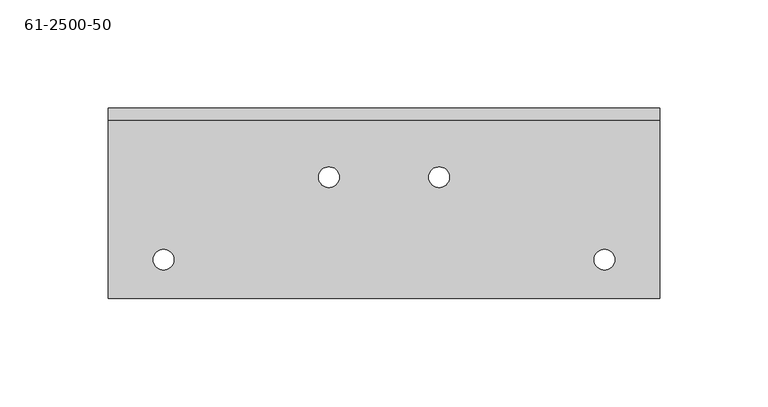
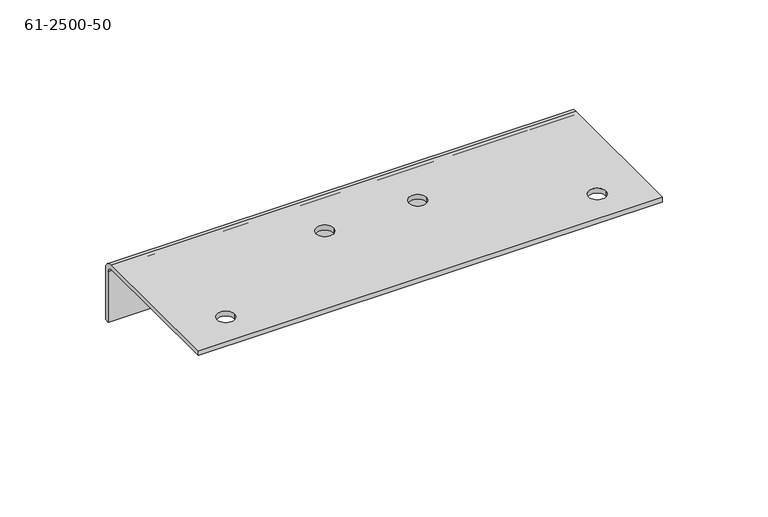
"""IFC4 building model written with IfcOpenShell, lengths in millimetres: proxy geometry, 61-2500-50."""

from ifc_helpers import new_model, si_unit, frame, origin, place, context, project, spatial, polyline, circle_curve, source, transform, mapped, element, save
from ifc_brep_helpers import plane_surface, cylinder_surface, revolved_surface, advanced_brep


def proxy_61_2500_50_b9742503(model_context):
    return source(origin(), model_context, "Body", "AdvancedBrep", [
        advanced_brep(
        [(76.2423118, 59.58078, 0.0), (76.2423118, 59.58078, 2.75336), (66.7173118, 59.58078, 2.75336), (66.7173118, 59.58078, 0.0), (127.0423118, 59.58078, 0.0), (127.0423118, 59.58078, 2.75336), (117.5173118, 59.58078, 2.75336), (117.5173118, 59.58078, 0.0), (203.2423118, 21.48078, 0.0), (203.2423118, 21.48078, 2.75336), (193.7173118, 21.48078, 2.75336), (193.7173118, 21.48078, 0.0), (0.0423118, 21.48078, 0.0), (0.0423118, 21.48078, 2.75336), (-9.4826882, 21.48078, 2.75336), (-9.4826882, 21.48078, 0.0), (163.9993118, 88.57742, -16.29664), (163.9993118, 91.33078, -16.29664), (156.7603118, 91.33078, -16.29664), (156.7603118, 88.57742, -16.29664), (36.9993118, 88.57742, -16.29664), (36.9993118, 91.33078, -16.29664), (29.7603118, 91.33078, -16.29664), (29.7603118, 88.57742, -16.29664), (223.8798118, 91.33078, -2.75336), (-30.1201882, 91.33078, -2.75336), (-30.1201882, 85.82406, 2.75336), (223.8798118, 85.82406, 2.75336), (-30.1201882, 88.57742, -2.75336), (223.8798118, 88.57742, -2.75336), (223.8798118, 85.82406, 0.0), (-30.1201882, 85.82406, 0.0), (-30.1201882, 3.70078, 2.75336), (223.8798118, 3.70078, 2.75336), (-30.1201882, 3.70078, 0.0), (223.8798118, 3.70078, 0.0), (-30.1201882, 91.33078, -32.17164), (-30.1201882, 88.57742, -32.17164), (223.8798118, 91.33078, -32.17164), (223.8798118, 88.57742, -32.17164)],
        [
            (0, 1),
            (1, 2, circle_curve(frame((71.4798118, 59.58078, 2.75336), z_axis=(0.0, 0.0, 1.0), x_axis=(1.0, 0.0, 0.0)), 4.7625)),
            (2, 3),
            (3, 0, circle_curve(frame((71.4798118, 59.58078, 0.0), z_axis=(0.0, 0.0, -1.0), x_axis=(1.0, 0.0, 0.0)), 4.7625)),
            (4, 5),
            (5, 6, circle_curve(frame((122.2798118, 59.58078, 2.75336), z_axis=(0.0, 0.0, 1.0), x_axis=(1.0, 0.0, 0.0)), 4.7625)),
            (6, 7),
            (7, 4, circle_curve(frame((122.2798118, 59.58078, 0.0), z_axis=(0.0, 0.0, -1.0), x_axis=(1.0, 0.0, 0.0)), 4.7625)),
            (8, 9),
            (9, 10, circle_curve(frame((198.4798118, 21.48078, 2.75336), z_axis=(0.0, 0.0, 1.0), x_axis=(1.0, 0.0, 0.0)), 4.7625)),
            (10, 11),
            (11, 8, circle_curve(frame((198.4798118, 21.48078, 0.0), z_axis=(0.0, 0.0, -1.0), x_axis=(1.0, 0.0, 0.0)), 4.7625)),
            (12, 13),
            (13, 14, circle_curve(frame((-4.7201882, 21.48078, 2.75336), z_axis=(0.0, 0.0, 1.0), x_axis=(1.0, 0.0, 0.0)), 4.7625)),
            (14, 15),
            (15, 12, circle_curve(frame((-4.7201882, 21.48078, 0.0), z_axis=(0.0, 0.0, -1.0), x_axis=(1.0, 0.0, 0.0)), 4.7625)),
            (16, 17),
            (17, 18, circle_curve(frame((160.3798118, 91.33078, -16.29664), z_axis=(0.0, 1.0, 0.0), x_axis=(1.0, 0.0, 0.0)), 3.6195)),
            (18, 19),
            (19, 16, circle_curve(frame((160.3798118, 88.57742, -16.29664), z_axis=(0.0, -1.0, 0.0), x_axis=(1.0, 0.0, 0.0)), 3.6195)),
            (20, 21),
            (21, 22, circle_curve(frame((33.3798118, 91.33078, -16.29664), z_axis=(0.0, 1.0, 0.0), x_axis=(1.0, 0.0, 0.0)), 3.6195)),
            (22, 23),
            (23, 20, circle_curve(frame((33.3798118, 88.57742, -16.29664), z_axis=(0.0, -1.0, 0.0), x_axis=(1.0, 0.0, 0.0)), 3.6195)),
            (20, 23, circle_curve(frame((33.3798118, 88.57742, -16.29664), z_axis=(0.0, -1.0, 0.0), x_axis=(1.0, 0.0, 0.0)), 3.6195)),
            (22, 21, circle_curve(frame((33.3798118, 91.33078, -16.29664), z_axis=(0.0, 1.0, 0.0), x_axis=(1.0, 0.0, 0.0)), 3.6195)),
            (16, 19, circle_curve(frame((160.3798118, 88.57742, -16.29664), z_axis=(0.0, -1.0, 0.0), x_axis=(1.0, 0.0, 0.0)), 3.6195)),
            (18, 17, circle_curve(frame((160.3798118, 91.33078, -16.29664), z_axis=(0.0, 1.0, 0.0), x_axis=(1.0, 0.0, 0.0)), 3.6195)),
            (12, 15, circle_curve(frame((-4.7201882, 21.48078, 0.0), z_axis=(0.0, 0.0, -1.0), x_axis=(1.0, 0.0, 0.0)), 4.7625)),
            (14, 13, circle_curve(frame((-4.7201882, 21.48078, 2.75336), z_axis=(0.0, 0.0, 1.0), x_axis=(1.0, 0.0, 0.0)), 4.7625)),
            (8, 11, circle_curve(frame((198.4798118, 21.48078, 0.0), z_axis=(0.0, 0.0, -1.0), x_axis=(1.0, 0.0, 0.0)), 4.7625)),
            (10, 9, circle_curve(frame((198.4798118, 21.48078, 2.75336), z_axis=(0.0, 0.0, 1.0), x_axis=(1.0, 0.0, 0.0)), 4.7625)),
            (4, 7, circle_curve(frame((122.2798118, 59.58078, 0.0), z_axis=(0.0, 0.0, -1.0), x_axis=(1.0, 0.0, 0.0)), 4.7625)),
            (6, 5, circle_curve(frame((122.2798118, 59.58078, 2.75336), z_axis=(0.0, 0.0, 1.0), x_axis=(1.0, 0.0, 0.0)), 4.7625)),
            (0, 3, circle_curve(frame((71.4798118, 59.58078, 0.0), z_axis=(0.0, 0.0, -1.0), x_axis=(1.0, 0.0, 0.0)), 4.7625)),
            (2, 1, circle_curve(frame((71.4798118, 59.58078, 2.75336), z_axis=(0.0, 0.0, 1.0), x_axis=(1.0, 0.0, 0.0)), 4.7625)),
            (24, 25),
            (25, 26, circle_curve(frame((-30.1201882, 85.82406, -2.75336), z_axis=(1.0, 0.0, 0.0), x_axis=(0.0, 0.0, 1.0)), 5.50672)),
            (26, 27),
            (27, 24, circle_curve(frame((223.8798118, 85.82406, -2.75336), z_axis=(-1.0, 0.0, 0.0), x_axis=(0.0, 0.0, 1.0)), 5.50672)),
            (28, 29),
            (29, 30, circle_curve(frame((223.8798118, 85.82406, -2.75336), z_axis=(1.0, 0.0, 0.0), x_axis=(0.0, 0.0, 1.0)), 2.75336)),
            (30, 31),
            (31, 28, circle_curve(frame((-30.1201882, 85.82406, -2.75336), z_axis=(-1.0, 0.0, 0.0), x_axis=(0.0, 0.0, 1.0)), 2.75336)),
            (26, 32),
            (32, 33),
            (33, 27),
            (32, 34),
            (34, 35),
            (35, 33),
            (30, 35),
            (34, 31),
            (25, 36),
            (36, 37),
            (37, 28),
            (24, 38),
            (38, 36),
            (29, 39),
            (39, 38),
            (39, 37),
        ],
        [
            revolved_surface(polyline([(76.2423118, 59.58078, 2.75336), (76.2423118, 59.58078, 0.0)]), (71.4798118, 59.58078, 1.37668), (0.0, 0.0, 1.0)),
            revolved_surface(polyline([(127.04231180000001, 59.58078, 2.75336), (127.04231180000001, 59.58078, 0.0)]), (122.2798118, 59.58078, 1.37668), (0.0, 0.0, 1.0)),
            revolved_surface(polyline([(203.24231179999998, 21.48078, 2.75336), (203.24231179999998, 21.48078, 0.0)]), (198.4798118, 21.48078, 1.37668), (0.0, 0.0, 1.0)),
            revolved_surface(polyline([(0.04231180000000023, 21.48078, 2.75336), (0.04231180000000023, 21.48078, 0.0)]), (-4.7201882, 21.48078, 1.37668), (0.0, 0.0, 1.0)),
            revolved_surface(polyline([(163.9993118, 91.33078, -16.29664), (163.9993118, 88.57742, -16.29664)]), (160.3798118, 89.9541, -16.29664), (0.0, 1.0, 0.0)),
            revolved_surface(polyline([(36.9993118, 91.33078, -16.29664), (36.9993118, 88.57742, -16.29664)]), (33.3798118, 89.9541, -16.29664), (0.0, 1.0, 0.0)),
            cylinder_surface(frame((96.8798118, 85.82406, -2.75336), z_axis=(-1.0, 0.0, 0.0), x_axis=(0.0, 0.0, 1.0)), 5.50672),
            revolved_surface(polyline([(-30.1201882, 85.82406, 0.0), (223.8798118, 85.82406, 0.0)]), (96.8798118, 85.82406, -2.75336), (-1.0, 0.0, 0.0)),
            plane_surface(frame((96.8798118, 47.51578, 2.75336), z_axis=(0.0, 0.0, 1.0), x_axis=(1.0, 0.0, 0.0))),
            plane_surface(frame((223.8798118, 3.70078, 0.0), z_axis=(0.0, -1.0, 0.0), x_axis=(0.0, 0.0, -1.0))),
            plane_surface(frame((96.8798118, 47.51578, 0.0), z_axis=(0.0, 0.0, -1.0), x_axis=(1.0, 0.0, 0.0))),
            plane_surface(frame((-30.1201882, 91.33078, -32.17164), z_axis=(-1.0, 0.0, 0.0), x_axis=(0.0, 0.0, 1.0))),
            plane_surface(frame((96.8798118, 91.33078, -14.70914), z_axis=(0.0, 1.0, 0.0), x_axis=(0.0, 0.0, 1.0))),
            plane_surface(frame((223.8798118, 91.33078, 2.75336), z_axis=(1.0, 0.0, 0.0), x_axis=(0.0, 0.0, -1.0))),
            plane_surface(frame((223.8798118, 91.33078, -32.17164), z_axis=(0.0, 0.0, -1.0), x_axis=(-1.0, 0.0, 0.0))),
            plane_surface(frame((96.8798118, 88.57742, -14.70914), z_axis=(0.0, -1.0, 0.0), x_axis=(0.0, 0.0, 1.0))),
        ],
        [
            (0, [[1, 2, 3, 4]]),
            (1, [[5, 6, 7, 8]]),
            (2, [[9, 10, 11, 12]]),
            (3, [[13, 14, 15, 16]]),
            (4, [[17, 18, 19, 20]]),
            (5, [[21, 22, 23, 24]]),
            (5, [[-21, 25, -23, 26]]),
            (4, [[-17, 27, -19, 28]]),
            (3, [[-13, 29, -15, 30]]),
            (2, [[-9, 31, -11, 32]]),
            (1, [[-5, 33, -7, 34]]),
            (0, [[-1, 35, -3, 36]]),
            (6, [[37, 38, 39, 40]]),
            (7, [[41, 42, 43, 44]]),
            (8, [[-39, 45, 46, 47], [-30, -14], [-32, -10], [-34, -6], [-36, -2]]),
            (9, [[-46, 48, 49, 50]]),
            (10, [[-43, 51, -49, 52], [-4, -35], [-8, -33], [-12, -31], [-16, -29]]),
            (11, [[53, 54, 55, -44, -52, -48, -45, -38]]),
            (12, [[-37, 56, 57, -53], [-26, -22], [-28, -18]]),
            (13, [[58, 59, -56, -40, -47, -50, -51, -42]]),
            (14, [[60, -54, -57, -59]]),
            (15, [[-41, -55, -60, -58], [-20, -27], [-24, -25]]),
        ],
    ),
    ])


if __name__ == "__main__":
    model = new_model("IFC4")
    model_context = context("Model", 3, world=origin())
    ifc_project = project(units=[si_unit("LENGTHUNIT", "METRE", prefix="MILLI")], contexts=[model_context])
    site = spatial("IfcSite", under=ifc_project)
    building = spatial("IfcBuilding", under=site)
    placement = place(None, origin())
    proxy_61_2500_50_shape = proxy_61_2500_50_b9742503(model_context)
    element("IfcBuildingElementProxy", 1, Name="61-2500-50", ObjectType="61-2500-50", at=placement, inside=building, context=model_context, shape_type="MappedRepresentation", body=[
        mapped(proxy_61_2500_50_shape, transform((0.0, 0.0, 0.0), x_axis=(1.0, 0.0, 0.0), y_axis=(0.0, 1.0, 0.0), z_axis=(0.0, 0.0, 1.0))),
    ])
    save(model, "model.ifc")
